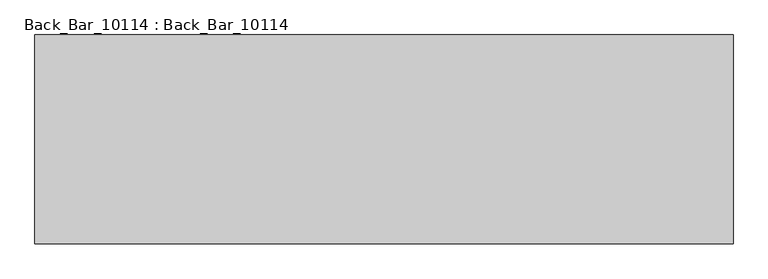
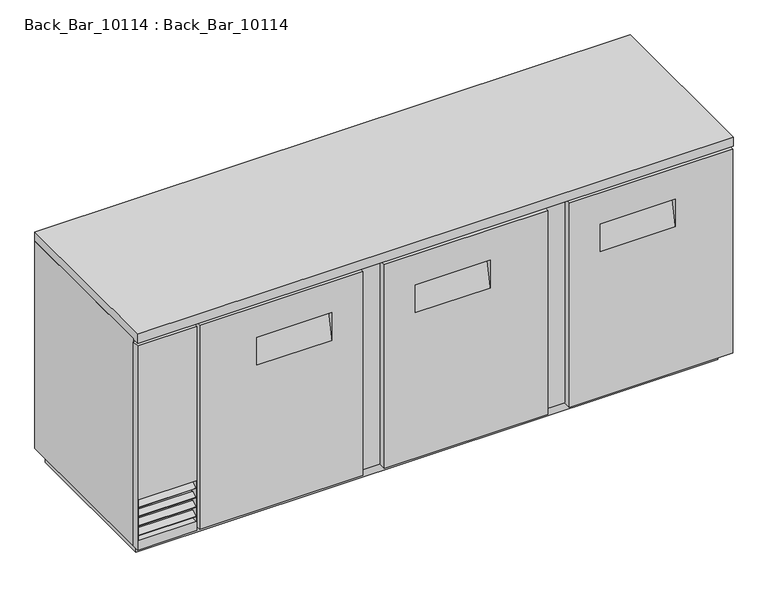
"""IFC4 building model written with IfcOpenShell, lengths in millimetres: proxy geometry, Back_Bar_10114 : Back_Bar_10114."""

from ifc_helpers import new_model, si_unit, frame, origin, place, context, project, spatial, polyline, outline, extrude, faceted_brep, source, transform, mapped, element, save


def back_bar_10114_back_bar_10114_9d57ae0a(model_context):
    return source(origin(), model_context, "Body", "SolidModel", [
        faceted_brep([(-903.9488709, -304.8, 882.6499758), (-1132.2412407, -304.8, 882.6499758), (-1132.2412407, -304.8, 50.8000015), (-903.9488709, -304.8, 50.8000015), (-1128.6113989, -304.8, 253.9999939), (-906.3614053, -304.8, 253.9999939), (-906.3614053, -304.8, 88.899997), (-1128.6113989, -304.8, 88.899997), (-903.9488709, -274.72612, 882.6499758), (-903.9488709, -274.72612, 50.8000015), (-1132.2412407, -274.72612, 50.8000015), (-1132.2412407, -274.72612, 882.6499758), (-906.3614053, -274.72612, 253.9999939), (-1128.6113989, -274.72612, 253.9999939), (-1128.6113989, -274.72612, 88.899997), (-906.3614053, -274.72612, 88.899997), (-1128.6113989, -303.3138373, 223.4636674), (-1128.6113989, -281.3167788, 236.1636553), (-1128.6113989, -279.7292806, 233.4140236), (-1128.6113989, -301.7263391, 220.7140357), (-1128.6113989, -303.3138373, 185.3636674), (-1128.6113989, -281.3167788, 198.0636553), (-1128.6113989, -279.7292806, 195.3140236), (-1128.6113989, -301.7263391, 182.6140357), (-1128.6113989, -303.3138373, 147.2636674), (-1128.6113989, -281.3167788, 159.9636553), (-1128.6113989, -279.7292806, 157.2140236), (-1128.6113989, -301.7263391, 144.5140357), (-1128.6113989, -303.3138373, 109.163672), (-1128.6113989, -281.3167788, 121.8636599), (-1128.6113989, -279.7292806, 119.1140281), (-1128.6113989, -301.7263391, 106.4140403), (-906.3614053, -281.3167788, 236.1636553), (-906.3614053, -303.3138373, 223.4636674), (-906.3614053, -301.7263391, 220.7140357), (-906.3614053, -279.7292806, 233.4140236), (-906.3614053, -281.3167788, 198.0636553), (-906.3614053, -303.3138373, 185.3636674), (-906.3614053, -301.7263391, 182.6140357), (-906.3614053, -279.7292806, 195.3140236), (-906.3614053, -281.3167788, 159.9636553), (-906.3614053, -303.3138373, 147.2636674), (-906.3614053, -301.7263391, 144.5140357), (-906.3614053, -279.7292806, 157.2140236), (-906.3614053, -281.3167788, 121.8636599), (-906.3614053, -303.3138373, 109.163672), (-906.3614053, -301.7263391, 106.4140403), (-906.3614053, -279.7292806, 119.1140281)], [[[0, 1, 2, 3], [4, 5, 6, 7]], [[8, 9, 10, 11], [12, 13, 14, 15]], [[1, 0, 8, 11]], [[2, 1, 11, 10]], [[3, 2, 10, 9]], [[0, 3, 9, 8]], [[4, 13, 12, 5]], [[13, 4, 7, 14], [16, 17, 18, 19], [20, 21, 22, 23], [24, 25, 26, 27], [28, 29, 30, 31]], [[14, 7, 6, 15]], [[5, 12, 15, 6], [32, 33, 34, 35], [36, 37, 38, 39], [40, 41, 42, 43], [44, 45, 46, 47]], [[32, 17, 16, 33]], [[33, 16, 19, 34]], [[34, 19, 18, 35]], [[17, 32, 35, 18]], [[36, 21, 20, 37]], [[37, 20, 23, 38]], [[38, 23, 22, 39]], [[21, 36, 39, 22]], [[40, 25, 24, 41]], [[41, 24, 27, 42]], [[42, 27, 26, 43]], [[25, 40, 43, 26]], [[44, 29, 28, 45]], [[45, 28, 31, 46]], [[46, 31, 30, 47]], [[29, 44, 47, 30]]]),
        faceted_brep([(-893.2214915, -304.8, 50.8000015), (-263.8787649, -304.8, 50.8000015), (-263.8787649, -304.8, 882.6499758), (-893.2214915, -304.8, 882.6499758), (-382.9412649, -304.8, 757.2375), (-382.9412649, -304.8, 644.5491926), (-671.8662891, -304.8, 644.5491926), (-671.8662891, -304.8, 757.2375), (-893.2214915, -274.72612, 50.8000015), (-893.2214915, -274.72612, 882.6499758), (-263.8787649, -274.72612, 882.6499758), (-263.8787649, -274.72612, 50.8000015), (-382.9412649, -281.0760958, 757.2375), (-671.8662891, -281.0760958, 757.2375)], [[[0, 1, 2, 3], [4, 5, 6, 7]], [[8, 9, 10, 11]], [[1, 0, 8, 11]], [[2, 1, 11, 10]], [[3, 2, 10, 9]], [[0, 3, 9, 8]], [[4, 12, 5]], [[6, 13, 7]], [[12, 13, 6, 5]], [[13, 12, 4, 7]]]),
        faceted_brep([(1163.2837593, -304.8, 50.8000015), (1163.2837593, -304.8, 882.6499758), (533.0462109, -304.8, 882.6499758), (533.0462109, -304.8, 50.8000015), (941.0338078, -304.8, 757.2375), (941.0338078, -304.8, 644.5491926), (652.1087835, -304.8, 644.5491926), (652.1087835, -304.8, 757.2375), (1163.2837593, -274.72612, 50.8000015), (533.0462109, -274.72612, 50.8000015), (533.0462109, -274.72612, 882.6499758), (1163.2837593, -274.72612, 882.6499758), (941.0338078, -281.0760958, 757.2375), (652.1087835, -281.0760958, 757.2375)], [[[0, 1, 2, 3], [4, 5, 6, 7]], [[8, 9, 10, 11]], [[1, 0, 8, 11]], [[2, 1, 11, 10]], [[3, 2, 10, 9]], [[0, 3, 9, 8]], [[4, 12, 5]], [[6, 13, 7]], [[12, 13, 6, 5]], [[13, 12, 4, 7]]]),
        faceted_brep([(449.7024609, -304.8, 882.6499758), (-180.5350149, -304.8, 882.6499758), (-180.5350149, -304.8, 50.8000015), (449.7024609, -304.8, 50.8000015), (227.4525093, -304.8, 757.2375), (227.4525093, -304.8, 644.5491926), (-61.4725149, -304.8, 644.5491926), (-61.4725149, -304.8, 757.2375), (449.7024609, -274.72612, 882.6499758), (449.7024609, -274.72612, 50.8000015), (-180.5350149, -274.72612, 50.8000015), (-180.5350149, -274.72612, 882.6499758), (227.4525093, -281.0760958, 757.2375), (-61.4725149, -281.0760958, 757.2375)], [[[0, 1, 2, 3], [4, 5, 6, 7]], [[8, 9, 10, 11]], [[1, 0, 8, 11]], [[2, 1, 11, 10]], [[3, 2, 10, 9]], [[0, 3, 9, 8]], [[4, 12, 5]], [[6, 13, 7]], [[12, 13, 6, 5]], [[13, 12, 4, 7]]]),
        faceted_brep([(1137.8837109, 355.5113785, 0.0), (1137.8837109, -249.3261442, 0.0), (-1106.8412399, -249.3261442, 0.0), (-1106.8412399, 355.5113785, 0.0), (-1106.8412399, 355.5113785, 50.8000015), (1137.8837109, 355.5113785, 50.8000015), (-1106.8412399, -249.3261442, 50.8000015), (1137.8837109, -249.3261442, 50.8000015), (1163.2837593, -274.72612, 895.35), (1163.2837593, 380.9113792, 895.35), (-1132.2412407, 380.9113792, 895.35), (-1132.2412407, -274.72612, 895.35), (1163.2837593, -274.72612, 50.8000015), (-1132.2412407, -274.72612, 50.8000015), (-1132.2412407, 380.9113792, 50.8000015), (1163.2837593, 380.9113792, 50.8000015)], [[[0, 1, 2, 3]], [[0, 3, 4, 5]], [[3, 2, 6, 4]], [[2, 1, 7, 6]], [[1, 0, 5, 7]], [[8, 9, 10, 11]], [[12, 13, 14, 15], [5, 4, 6, 7]], [[9, 8, 12, 15]], [[10, 9, 15, 14]], [[11, 10, 14, 13]], [[8, 11, 13, 12]]]),
        extrude(outline(polyline([(-1132.2412407, 380.9113792), (1163.2837593, 380.9113792), (1163.2837593, -306.4761442), (-1132.2412407, -306.4761442), (-1132.2412407, 380.9113792)])), frame((0.0, 0.0, 895.35), z_axis=(0.0, 0.0, 1.0), x_axis=(1.0, 0.0, 0.0)), (0.0, 0.0, 1.0), 38.1),
    ])


if __name__ == "__main__":
    model = new_model("IFC4")
    model_context = context("Model", 3, world=origin())
    ifc_project = project(units=[si_unit("LENGTHUNIT", "METRE", prefix="MILLI")], contexts=[model_context])
    site = spatial("IfcSite", under=ifc_project)
    building = spatial("IfcBuilding", under=site)
    placement = place(None, origin())
    back_bar_10114_back_bar_10114_shape = back_bar_10114_back_bar_10114_9d57ae0a(model_context)
    element("IfcBuildingElementProxy", 1, Name="Back_Bar_10114 : Back_Bar_10114", ObjectType="Back_Bar_10114 : Back_Bar_10114", at=placement, inside=building, context=model_context, shape_type="MappedRepresentation", body=[
        mapped(back_bar_10114_back_bar_10114_shape, transform((0.0, 0.0, 0.0), x_axis=(1.0, 0.0, 0.0), y_axis=(0.0, 1.0, 0.0), z_axis=(0.0, 0.0, 1.0))),
    ])
    save(model, "model.ifc")
